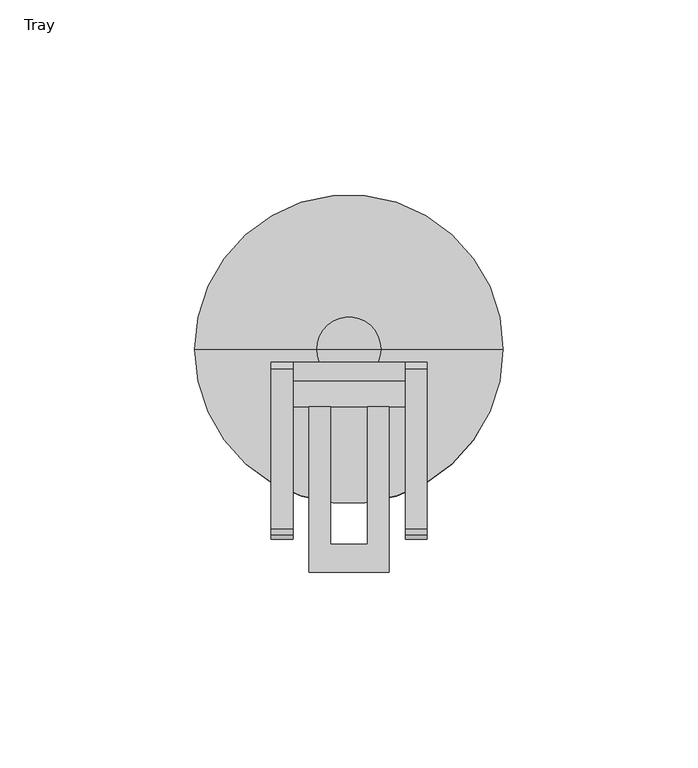
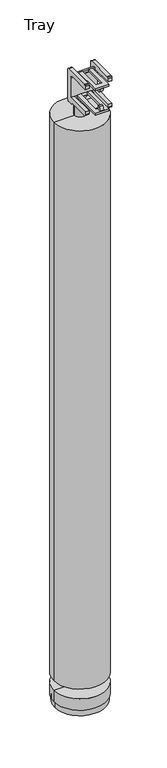
"""IFC4 building model written with IfcOpenShell, lengths in millimetres: furniture geometry, Tray."""

from ifc_helpers import new_model, si_unit, frame, origin, place, context, project, spatial, polyline, circle_curve, outline, extrude, faceted_brep, source, transform, mapped, element, save
from ifc_brep_helpers import plane_surface, cylinder_surface, advanced_brep


def tray_14bad9ef(model_context):
    return source(origin(), model_context, "Body", "SolidModel", [
        faceted_brep([(-14.3281827, -3.327071, 965.0037208), (14.4930005, -3.327071, 965.0037208), (14.4930005, -3.327071, 957.7526426), (-14.3281827, -3.327071, 957.7526426), (-14.3281827, -10.2970762, 965.0037208), (-14.3281827, -10.2970762, 957.7526426), (14.4930005, -10.2970762, 957.7526426), (14.4930005, -10.2970762, 965.0037208), (-14.109705, -10.2970762, 964.6879426), (14.1236919, -10.2970762, 964.6879426), (14.1236919, -10.2970762, 957.991436), (-14.109705, -10.2970762, 957.991436), (-14.109705, -3.5247947, 964.6879426), (14.1236919, -3.5247947, 964.6879426), (14.1236919, -3.5247947, 957.991436), (-14.109705, -3.5247947, 957.991436)], [[[0, 1, 2, 3]], [[4, 5, 6, 7], [8, 9, 10, 11]], [[1, 0, 4, 7]], [[2, 1, 7, 6]], [[3, 2, 6, 5]], [[0, 3, 5, 4]], [[12, 13, 9, 8]], [[14, 15, 11, 10]], [[13, 12, 15, 14]], [[15, 12, 8, 11]], [[13, 14, 10, 9]]]),
        extrude(outline(polyline([(10.2429999, -10.2970762), (10.2429999, -57.2924695), (-10.2429999, -57.2924695), (-10.2429999, -10.2970762), (-4.743, -10.2970762), (-4.743, -50.0172898), (4.743, -50.0172898), (4.743, -10.2970762), (10.2429999, -10.2970762)])), frame((0.0, 0.0, 966.4066012), z_axis=(0.0, 0.0, 1.0), x_axis=(1.0, 0.0, 0.0)), (0.0, 0.0, 1.0), 3.1950368),
        extrude(outline(polyline([(-54.9080039, 975.8565036), (-51.9080053, 975.8565036), (-51.9080053, 969.6065217), (-57.2924695, 969.6065217), (-54.9080039, 975.8565036)])), frame((-2.7499999, 0.0, 0.0), z_axis=(1.0, 0.0, 0.0), x_axis=(0.0, 1.0, 0.0)), (0.0, 0.0, 1.0), 5.4999998),
        extrude(outline(polyline([(-54.9080039, 998.7182864), (-57.2924695, 1004.9682683), (-51.9080053, 1004.9682683), (-51.9080053, 998.7182864), (-54.9080039, 998.7182864)])), frame((-2.7499999, 0.0, 0.0), z_axis=(1.0, 0.0, 0.0), x_axis=(0.0, 1.0, 0.0)), (0.0, 0.0, 1.0), 5.4999998),
        extrude(outline(polyline([(10.2429999, -14.8337831), (10.2429999, -57.2924695), (-10.2429999, -57.2924695), (-10.2429999, -14.8337831), (-4.743, -14.8337831), (-4.743, -50.0172898), (4.743, -50.0172898), (4.743, -14.8337831), (10.2429999, -14.8337831)])), frame((0.0, 0.0, 1004.9628718), z_axis=(0.0, 0.0, 1.0), x_axis=(1.0, 0.0, 0.0)), (0.0, 0.0, 1.0), 3.1950368),
        advanced_brep(
        [(19.9929998, -46.22775, 1012.0570071), (19.9929998, -47.6662523, 1011.6680774), (19.9929998, -48.7162427, 1010.3310951), (19.9929998, -48.584384, 1005.0870111), (19.9929998, -15.2970798, 1005.0870111), (19.9929998, -12.7970689, 1004.4171392), (19.9929998, -10.9669481, 1002.5870183), (19.9929998, -10.2970762, 1000.0870256), (19.9929998, -10.2970762, 969.5869977), (19.9929998, -48.4914096, 969.5869977), (19.9929998, -48.4362011, 965.0037208), (19.9929998, -45.9912819, 962.6170017), (19.9929998, -12.7970831, 962.4766632), (19.9929998, -12.7970871, 959.7370176), (19.9929998, -6.3270696, 959.7370176), (19.9929998, -4.8270703, 960.1389552), (19.9929998, -3.7289996, 961.2369987), (19.9929998, -3.327071, 962.7369798), (19.9929998, -3.327071, 1010.7176752), (19.9929998, -5.0413378, 1012.0570071), (-19.9929998, -46.22775, 1012.0570071), (-19.9929998, -5.0413378, 1012.0570071), (-19.9929998, -3.327071, 1010.7176752), (-19.9929998, -3.327071, 962.7369798), (-19.9929998, -3.7289996, 961.2369987), (-19.9929998, -4.8270703, 960.1389552), (-19.9929998, -6.3270696, 959.7370176), (-19.9929998, -12.7970871, 959.7370176), (-19.9929998, -12.7970831, 962.4766632), (-19.9929998, -45.9912819, 962.6170017), (-19.9929998, -48.4362011, 965.0037208), (-19.9929998, -48.4914096, 969.5869977), (-19.9929998, -10.2970762, 969.5869977), (-19.9929998, -10.2970762, 1000.0870256), (-19.9929998, -10.9669481, 1002.5870183), (-19.9929998, -12.7970689, 1004.4171392), (-19.9929998, -15.2970798, 1005.0870111), (-19.9929998, -48.584384, 1005.0870111), (-19.9929998, -48.7162427, 1010.3310951), (-19.9929998, -47.6662523, 1011.6680774), (14.4930005, -46.22775, 1012.0570071), (14.4930005, -47.6662523, 1011.6680774), (-14.3281827, -47.6662523, 1011.6680774), (-14.3281827, -46.22775, 1012.0570071), (14.4930005, -48.7162427, 1010.3310951), (-14.3281827, -48.7162427, 1010.3310951), (14.4930005, -48.584384, 1005.0870111), (-14.3281827, -48.584384, 1005.0870111), (14.4930005, -15.2970798, 1005.0870111), (-14.3281827, -15.2970798, 1005.0870111), (14.4930005, -14.8337831, 1004.9628718), (-14.3281827, -14.8337831, 1004.9628718), (-14.3281827, -10.2970762, 969.5869977), (-4.743, -10.2970762, 969.5869977), (4.743, -10.2970762, 969.5869977), (14.4930005, -10.2970762, 969.5869977), (14.4930005, -48.4914096, 969.5869977), (-14.3281827, -48.4914096, 969.5869977), (14.4930005, -48.4362011, 965.0037208), (-14.3281827, -48.4362011, 965.0037208), (14.4930005, -45.9912819, 962.6170017), (-14.3281827, -45.9912819, 962.6170017), (14.4930005, -12.7970831, 962.4766632), (-14.3281827, -12.7970831, 962.4766632), (14.4930005, -12.7970871, 959.7370176), (-14.3281827, -12.7970871, 959.7370176), (14.4930005, -6.3270696, 959.7370176), (-14.3281827, -6.3270696, 959.7370176), (14.4930005, -4.8270703, 960.1389552), (-14.3281827, -4.8270703, 960.1389552), (14.4930005, -3.7289996, 961.2369987), (-14.3281827, -3.7289996, 961.2369987), (14.4930005, -3.327071, 962.7369798), (-14.3281827, -3.327071, 962.7369798), (14.4930005, -3.327071, 982.2527944), (-14.4930005, -3.327071, 982.2527944), (-14.4930005, -3.327071, 969.5869977), (-14.3281827, -3.327071, 969.5869977), (-14.3281827, -3.327071, 1010.7176752), (-14.3281827, -3.327071, 993.537062), (14.4930005, -3.327071, 993.537062), (14.4930005, -3.327071, 1010.7176752), (14.4930005, -5.0413378, 1012.0570071), (-14.3281827, -5.0413378, 1012.0570071), (14.4930005, -8.6452748, 969.5869977), (14.4930005, -8.6452748, 982.2527944), (14.4930005, -8.2618777, 993.537062), (14.4930005, -8.2618777, 1001.5860033), (14.4930005, -14.8337831, 1008.1579086), (-14.3281827, -8.6452748, 969.5869977), (-14.3281827, -14.8337831, 1008.1579086), (-14.3281827, -8.2618777, 1001.5860033), (-14.3281827, -8.2618777, 993.537062), (-14.4930005, -8.6452748, 969.5869977), (-14.4930005, -8.6452748, 982.2527944)],
        [
            (0, 1),
            (1, 2),
            (2, 3),
            (3, 4),
            (4, 5),
            (5, 6),
            (6, 7),
            (7, 8),
            (8, 9),
            (9, 10),
            (10, 11, circle_curve(frame((19.9929998, -45.9912819, 965.0626305), z_axis=(1.0, 0.0, 0.0), x_axis=(0.0, 1.0, 0.0)), 2.4456288)),
            (11, 12),
            (12, 13),
            (13, 14),
            (14, 15),
            (15, 16),
            (16, 17),
            (17, 18),
            (18, 19, circle_curve(frame((19.9929998, -5.0413378, 1010.2902605), z_axis=(1.0, 0.0, 0.0), x_axis=(0.0, 1.0, 0.0)), 1.7667467)),
            (19, 0),
            (20, 21),
            (21, 22, circle_curve(frame((-19.9929998, -5.0413378, 1010.2902605), z_axis=(-1.0, 0.0, 0.0), x_axis=(0.0, 1.0, 0.0)), 1.7667467)),
            (22, 23),
            (23, 24),
            (24, 25),
            (25, 26),
            (26, 27),
            (27, 28),
            (28, 29),
            (29, 30, circle_curve(frame((-19.9929998, -45.9912819, 965.0626305), z_axis=(-1.0, 0.0, 0.0), x_axis=(0.0, 1.0, 0.0)), 2.4456288)),
            (30, 31),
            (31, 32),
            (32, 33),
            (33, 34),
            (34, 35),
            (35, 36),
            (36, 37),
            (37, 38),
            (38, 39),
            (39, 20),
            (0, 40),
            (40, 41),
            (41, 1),
            (39, 42),
            (42, 43),
            (43, 20),
            (41, 44),
            (44, 2),
            (38, 45),
            (45, 42),
            (44, 46),
            (46, 3),
            (37, 47),
            (47, 45),
            (46, 48),
            (48, 4),
            (36, 49),
            (49, 47),
            (48, 50),
            (50, 51),
            (51, 49),
            (35, 5),
            (34, 6),
            (33, 7),
            (32, 52),
            (52, 53),
            (53, 54),
            (54, 55),
            (55, 8),
            (55, 56),
            (56, 9),
            (31, 57),
            (57, 52),
            (56, 58),
            (58, 10),
            (30, 59),
            (59, 57),
            (58, 60, circle_curve(frame((14.4930005, -45.9912819, 965.0626305), z_axis=(1.0, 0.0, 0.0), x_axis=(0.0, 1.0, 0.0)), 2.4456288)),
            (60, 11),
            (29, 61),
            (61, 59, circle_curve(frame((-14.3281827, -45.9912819, 965.0626305), z_axis=(-1.0, 0.0, 0.0), x_axis=(0.0, 1.0, 0.0)), 2.4456288)),
            (60, 62),
            (62, 12),
            (28, 63),
            (63, 61),
            (62, 64),
            (64, 13),
            (27, 65),
            (65, 63),
            (64, 66),
            (66, 14),
            (26, 67),
            (67, 65),
            (66, 68),
            (68, 15),
            (25, 69),
            (69, 67),
            (68, 70),
            (70, 16),
            (24, 71),
            (71, 69),
            (70, 72),
            (72, 17),
            (23, 73),
            (73, 71),
            (72, 74),
            (74, 75),
            (75, 76),
            (76, 77),
            (77, 73),
            (22, 78),
            (78, 79),
            (79, 80),
            (80, 81),
            (81, 18),
            (81, 82, circle_curve(frame((14.4930005, -5.0413378, 1010.2902605), z_axis=(1.0, 0.0, 0.0), x_axis=(0.0, 1.0, 0.0)), 1.7667467)),
            (82, 19),
            (21, 83),
            (83, 78, circle_curve(frame((-14.3281827, -5.0413378, 1010.2902605), z_axis=(-1.0, 0.0, 0.0), x_axis=(0.0, 1.0, 0.0)), 1.7667467)),
            (82, 40),
            (43, 83),
            (55, 84),
            (84, 85),
            (85, 74),
            (80, 86),
            (86, 87),
            (87, 88, circle_curve(frame((14.4930005, -14.8337831, 1001.5860033), z_axis=(1.0, 0.0, 0.0), x_axis=(0.0, 1.0, 0.0)), 6.5719053)),
            (88, 50),
            (77, 89),
            (89, 52),
            (90, 91, circle_curve(frame((-14.3281827, -14.8337831, 1001.5860033), z_axis=(-1.0, 0.0, 0.0), x_axis=(0.0, 1.0, 0.0)), 6.5719053)),
            (91, 92),
            (92, 79),
            (51, 90),
            (92, 86),
            (91, 87),
            (90, 88),
            (84, 89),
            (89, 93),
            (93, 94),
            (94, 85),
            (94, 75),
            (93, 76),
        ],
        [
            plane_surface(frame((19.9929998, -47.6662523, 1011.6680774), z_axis=(1.0, 0.0, 0.0), x_axis=(0.0, -0.9653388227637301, -0.26099991813243134))),
            plane_surface(frame((-19.9929998, -47.6662523, 1011.6680774), z_axis=(-1.0, 0.0, 0.0), x_axis=(0.0, 0.9653388227637301, 0.26099991813243134))),
            plane_surface(frame((19.9929998, -46.22775, 1012.0570071), z_axis=(0.0, -0.26099991813243134, 0.9653388227637301), x_axis=(-1.0, 0.0, 0.0))),
            plane_surface(frame((19.9929998, -47.6662523, 1011.6680774), z_axis=(0.0, -0.7864599767075834, 0.6176412429858514), x_axis=(-1.0, 0.0, 0.0))),
            plane_surface(frame((19.9929998, -48.7162427, 1010.3310951), z_axis=(0.0, -0.9996840324547556, -0.025136333364260674), x_axis=(-1.0, 0.0, 0.0))),
            plane_surface(frame((19.9929998, -48.584384, 1005.0870111), z_axis=(0.0, 0.0, -1.0), x_axis=(-1.0, 0.0, 0.0))),
            plane_surface(frame((19.9929998, -15.2970798, 1005.0870111), z_axis=(0.0, -0.25881760153126504, -0.9659262130916644), x_axis=(-1.0, 0.0, 0.0))),
            plane_surface(frame((19.9929998, -12.7970689, 1004.4171392), z_axis=(0.0, -0.7071067811865476, -0.7071067811865476), x_axis=(-1.0, 0.0, 0.0))),
            plane_surface(frame((19.9929998, -10.9669481, 1002.5870183), z_axis=(0.0, -0.9659257428846033, -0.2588193563720212), x_axis=(-1.0, 0.0, 0.0))),
            plane_surface(frame((19.9929998, -10.2970762, 1000.0870256), z_axis=(0.0, -1.0, 0.0), x_axis=(-1.0, 0.0, 0.0))),
            plane_surface(frame((19.9929998, -10.2970762, 969.5869977), z_axis=(0.0, 0.0, 1.0), x_axis=(-1.0, 0.0, 0.0))),
            plane_surface(frame((19.9929998, -48.4914096, 969.5869977), z_axis=(0.0, -0.9999274593895427, -0.012044748182275664), x_axis=(-1.0, 0.0, 0.0))),
            cylinder_surface(frame((-19.9929998, -45.9912819, 965.0626305), z_axis=(1.0, 0.0, 0.0), x_axis=(0.0, 1.0, 0.0)), 2.4456288),
            plane_surface(frame((19.9929998, -45.9912819, 962.6170017), z_axis=(0.0, -0.004227764339078173, -0.9999910629644113), x_axis=(-1.0, 0.0, 0.0))),
            plane_surface(frame((19.9929998, -12.7970831, 962.4766632), z_axis=(0.0, -0.9999999999989181, 1.4710555129879356e-06), x_axis=(-1.0, 0.0, 0.0))),
            plane_surface(frame((19.9929998, -12.7970871, 959.7370176), z_axis=(0.0, 0.0, -1.0), x_axis=(-1.0, 0.0, 0.0))),
            plane_surface(frame((19.9929998, -6.3270696, 959.7370176), z_axis=(0.0, 0.2588275036262296, -0.965923559794777), x_axis=(-1.0, 0.0, 0.0))),
            plane_surface(frame((19.9929998, -4.8270703, 960.1389552), z_axis=(0.0, 0.7070980067524738, -0.7071155555117413), x_axis=(-1.0, 0.0, 0.0))),
            plane_surface(frame((19.9929998, -3.7289996, 961.2369987), z_axis=(0.0, 0.9659242384808149, -0.25882497081088984), x_axis=(-1.0, 0.0, 0.0))),
            plane_surface(frame((19.9929998, -3.327071, 962.7369798), z_axis=(0.0, 1.0, 0.0), x_axis=(-1.0, 0.0, 0.0))),
            cylinder_surface(frame((-19.9929998, -5.0413378, 1010.2902605), z_axis=(1.0, 0.0, 0.0), x_axis=(0.0, 1.0, 0.0)), 1.7667467),
            plane_surface(frame((19.9929998, -5.0413378, 1012.0570071), z_axis=(0.0, 0.0, 1.0), x_axis=(-1.0, 0.0, 0.0))),
            plane_surface(frame((14.4930005, -20.9588426, 1012.0570071), z_axis=(-1.0, 0.0, 0.0), x_axis=(0.0, -1.0, 0.0))),
            plane_surface(frame((-14.3281827, -20.9588426, 1012.0570071), z_axis=(1.0, 0.0, 0.0), x_axis=(0.0, 1.0, 0.0))),
            plane_surface(frame((14.4930005, -8.2618777, 993.537062), z_axis=(0.0, 0.0, 1.0), x_axis=(-1.0, 0.0, 0.0))),
            plane_surface(frame((14.4930005, -8.2618777, 1001.5860033), z_axis=(0.0, 1.0, 0.0), x_axis=(-1.0, 0.0, 0.0))),
            cylinder_surface(frame((-14.3281827, -14.8337831, 1001.5860033), z_axis=(-1.0, 0.0, 0.0), x_axis=(0.0, 1.0, 0.0)), 6.5719053),
            plane_surface(frame((14.4930005, -14.8337831, 1018.8156768), z_axis=(0.0, -1.0, 0.0), x_axis=(0.0, 0.0, -1.0))),
            plane_surface(frame((-14.4930005, -8.6452748, 982.2527944), z_axis=(0.0, 1.0, 0.0), x_axis=(-1.0, 0.0, 0.0))),
            plane_surface(frame((14.4930005, -8.6452748, 982.2527944), z_axis=(0.0, 0.0, -1.0), x_axis=(0.0, 1.0, 0.0))),
            plane_surface(frame((-14.4930005, -8.6452748, 982.2527944), z_axis=(1.0, 0.0, 0.0), x_axis=(0.0, 1.0, 0.0))),
            plane_surface(frame((-14.4930005, -8.6452748, 969.5869977), z_axis=(0.0, 0.0, 1.0), x_axis=(0.0, 1.0, 0.0))),
            plane_surface(frame((14.4930005, -304.00625, 969.5869977), z_axis=(0.0, 0.0, -1.0), x_axis=(0.0, 1.0, 0.0))),
        ],
        [
            (0, [[1, 2, 3, 4, 5, 6, 7, 8, 9, 10, 11, 12, 13, 14, 15, 16, 17, 18, 19, 20]]),
            (1, [[21, 22, 23, 24, 25, 26, 27, 28, 29, 30, 31, 32, 33, 34, 35, 36, 37, 38, 39, 40]]),
            (2, [[-1, 41, 42, 43]]),
            (2, [[-40, 44, 45, 46]]),
            (3, [[-2, -43, 47, 48]]),
            (3, [[-39, 49, 50, -44]]),
            (4, [[-3, -48, 51, 52]]),
            (4, [[-38, 53, 54, -49]]),
            (5, [[-4, -52, 55, 56]]),
            (5, [[-37, 57, 58, -53]]),
            (6, [[-5, -56, 59, 60, 61, -57, -36, 62]]),
            (7, [[-6, -62, -35, 63]]),
            (8, [[-7, -63, -34, 64]]),
            (9, [[-8, -64, -33, 65, 66, 67, 68, 69]]),
            (10, [[-9, -69, 70, 71]]),
            (10, [[-32, 72, 73, -65]]),
            (11, [[-10, -71, 74, 75]]),
            (11, [[-31, 76, 77, -72]]),
            (12, [[-11, -75, 78, 79]]),
            (12, [[-30, 80, 81, -76]]),
            (13, [[-12, -79, 82, 83]]),
            (13, [[-29, 84, 85, -80]]),
            (14, [[-13, -83, 86, 87]]),
            (14, [[-28, 88, 89, -84]]),
            (15, [[-14, -87, 90, 91]]),
            (15, [[-27, 92, 93, -88]]),
            (16, [[-15, -91, 94, 95]]),
            (16, [[-26, 96, 97, -92]]),
            (17, [[-16, -95, 98, 99]]),
            (17, [[-25, 100, 101, -96]]),
            (18, [[-17, -99, 102, 103]]),
            (18, [[-24, 104, 105, -100]]),
            (19, [[-18, -103, 106, 107, 108, 109, 110, -104, -23, 111, 112, 113, 114, 115]]),
            (20, [[-19, -115, 116, 117]]),
            (20, [[-22, 118, 119, -111]]),
            (21, [[-20, -117, 120, -41]]),
            (21, [[-21, -46, 121, -118]]),
            (22, [[-74, -70, 122, 123, 124, -106, -102, -98, -94, -90, -86, -82, -78]]),
            (22, [[125, 126, 127, 128, -59, -55, -51, -47, -42, -120, -116, -114]]),
            (23, [[-77, -81, -85, -89, -93, -97, -101, -105, -110, 129, 130, -73]]),
            (23, [[131, 132, 133, -112, -119, -121, -45, -50, -54, -58, -61, 134]]),
            (24, [[-125, -113, -133, 135]]),
            (25, [[-126, -135, -132, 136]]),
            (26, [[-127, -136, -131, 137]]),
            (27, [[-128, -137, -134, -60]]),
            (28, [[-123, 138, 139, 140, 141]]),
            (29, [[-141, 142, -107, -124]]),
            (30, [[-140, 143, -108, -142]]),
            (31, [[-143, -139, -129, -109]]),
            (32, [[-122, -68, -67, -66, -130, -138]]),
        ],
    ),
        advanced_brep(
        [(-39.5897173, 0.0, 43.4122144), (39.5897173, 0.0, 43.4122144), (8.206167, 0.0, 43.4122144), (-8.206167, 0.0, 43.4122144), (-39.5897173, 0.0, 930.3529561), (39.5897173, 0.0, 930.3529561), (-8.206167, 0.0, 930.3529561), (8.206167, 0.0, 930.3529561), (-8.206167, 0.0, 965.0037208), (8.206167, 0.0, 965.0037208), (0.0, 0.0, 965.0037208), (-37.9571248, 0.0, 0.0), (37.9571248, 0.0, 0.0), (0.0, 0.0, 0.0), (-37.9571248, 0.0, 9.8842134), (37.9571248, 0.0, 9.8842134), (-39.4811233, 0.0, 9.8842134), (39.4811233, 0.0, 9.8842134), (-39.4811233, 0.0, 27.6642135), (39.4811233, 0.0, 27.6642135), (-8.206167, 0.0, 27.6642135), (8.206167, 0.0, 27.6642135)],
        [
            (0, 1, circle_curve(frame((0.0, 0.0, 43.4122144), z_axis=(0.0, 0.0, -1.0), x_axis=(1.0, 0.0, 0.0)), 39.5897173)),
            (1, 2),
            (2, 3, circle_curve(frame((0.0, 0.0, 43.4122144), z_axis=(0.0, 0.0, 1.0), x_axis=(1.0, 0.0, 0.0)), 8.206167)),
            (3, 0),
            (1, 0, circle_curve(frame((0.0, 0.0, 43.4122144), z_axis=(0.0, 0.0, -1.0), x_axis=(1.0, 0.0, 0.0)), 39.5897173)),
            (3, 2, circle_curve(frame((0.0, 0.0, 43.4122144), z_axis=(0.0, 0.0, 1.0), x_axis=(1.0, 0.0, 0.0)), 8.206167)),
            (4, 5, circle_curve(frame((0.0, 0.0, 930.3529561), z_axis=(0.0, 0.0, -1.0), x_axis=(1.0, 0.0, 0.0)), 39.5897173)),
            (5, 1),
            (0, 4),
            (5, 4, circle_curve(frame((0.0, 0.0, 930.3529561), z_axis=(0.0, 0.0, -1.0), x_axis=(1.0, 0.0, 0.0)), 39.5897173)),
            (6, 7, circle_curve(frame((0.0, 0.0, 930.3529561), z_axis=(0.0, 0.0, -1.0), x_axis=(1.0, 0.0, 0.0)), 8.206167)),
            (7, 5),
            (4, 6),
            (7, 6, circle_curve(frame((0.0, 0.0, 930.3529561), z_axis=(0.0, 0.0, -1.0), x_axis=(1.0, 0.0, 0.0)), 8.206167)),
            (8, 9, circle_curve(frame((0.0, 0.0, 965.0037208), z_axis=(0.0, 0.0, -1.0), x_axis=(1.0, 0.0, 0.0)), 8.206167)),
            (9, 7),
            (6, 8),
            (9, 8, circle_curve(frame((0.0, 0.0, 965.0037208), z_axis=(0.0, 0.0, -1.0), x_axis=(1.0, 0.0, 0.0)), 8.206167)),
            (10, 9),
            (8, 10),
            (11, 12, circle_curve(frame((0.0, 0.0, 0.0), z_axis=(0.0, 0.0, -1.0), x_axis=(1.0, 0.0, 0.0)), 37.9571248)),
            (12, 13),
            (13, 11),
            (12, 11, circle_curve(frame((0.0, 0.0, 0.0), z_axis=(0.0, 0.0, -1.0), x_axis=(1.0, 0.0, 0.0)), 37.9571248)),
            (14, 15, circle_curve(frame((0.0, 0.0, 9.8842134), z_axis=(0.0, 0.0, -1.0), x_axis=(1.0, 0.0, 0.0)), 37.9571248)),
            (15, 12),
            (11, 14),
            (15, 14, circle_curve(frame((0.0, 0.0, 9.8842134), z_axis=(0.0, 0.0, -1.0), x_axis=(1.0, 0.0, 0.0)), 37.9571248)),
            (16, 17, circle_curve(frame((0.0, 0.0, 9.8842134), z_axis=(0.0, 0.0, -1.0), x_axis=(1.0, 0.0, 0.0)), 39.4811233)),
            (17, 15),
            (14, 16),
            (17, 16, circle_curve(frame((0.0, 0.0, 9.8842134), z_axis=(0.0, 0.0, -1.0), x_axis=(1.0, 0.0, 0.0)), 39.4811233)),
            (18, 19, circle_curve(frame((0.0, 0.0, 27.6642135), z_axis=(0.0, 0.0, -1.0), x_axis=(1.0, 0.0, 0.0)), 39.4811233)),
            (19, 17),
            (16, 18),
            (19, 18, circle_curve(frame((0.0, 0.0, 27.6642135), z_axis=(0.0, 0.0, -1.0), x_axis=(1.0, 0.0, 0.0)), 39.4811233)),
            (20, 21, circle_curve(frame((0.0, 0.0, 27.6642135), z_axis=(0.0, 0.0, -1.0), x_axis=(1.0, 0.0, 0.0)), 8.206167)),
            (21, 19),
            (18, 20),
            (21, 20, circle_curve(frame((0.0, 0.0, 27.6642135), z_axis=(0.0, 0.0, -1.0), x_axis=(1.0, 0.0, 0.0)), 8.206167)),
            (2, 21),
            (20, 3),
        ],
        [
            plane_surface(frame((0.0, 0.0, 43.4122144), z_axis=(0.0, 0.0, -1.0), x_axis=(1.0, 0.0, 0.0))),
            cylinder_surface(frame((0.0, 0.0, 1090.2257208), z_axis=(0.0, 0.0, 1.0), x_axis=(1.0, 0.0, 0.0)), 39.5897173),
            plane_surface(frame((0.0, 0.0, 930.3529561), z_axis=(0.0, 0.0, 1.0), x_axis=(1.0, 0.0, 0.0))),
            cylinder_surface(frame((0.0, 0.0, 1090.2257208), z_axis=(0.0, 0.0, 1.0), x_axis=(1.0, 0.0, 0.0)), 8.206167),
            plane_surface(frame((0.0, 0.0, 965.0037208), z_axis=(0.0, 0.0, 1.0), x_axis=(1.0, 0.0, 0.0))),
            plane_surface(frame((0.0, 0.0, 0.0), z_axis=(0.0, 0.0, -1.0), x_axis=(1.0, 0.0, 0.0))),
            cylinder_surface(frame((0.0, 0.0, 1090.2257208), z_axis=(0.0, 0.0, 1.0), x_axis=(1.0, 0.0, 0.0)), 37.9571248),
            plane_surface(frame((0.0, 0.0, 9.8842134), z_axis=(0.0, 0.0, -1.0), x_axis=(1.0, 0.0, 0.0))),
            cylinder_surface(frame((0.0, 0.0, 1090.2257208), z_axis=(0.0, 0.0, 1.0), x_axis=(1.0, 0.0, 0.0)), 39.4811233),
            plane_surface(frame((0.0, 0.0, 27.6642135), z_axis=(0.0, 0.0, 1.0), x_axis=(1.0, 0.0, 0.0))),
        ],
        [
            (0, [[1, 2, 3, 4]]),
            (0, [[5, -4, 6, -2]]),
            (1, [[7, 8, -1, 9]]),
            (1, [[10, -9, -5, -8]]),
            (2, [[11, 12, -7, 13]]),
            (2, [[14, -13, -10, -12]]),
            (3, [[15, 16, -11, 17]]),
            (3, [[18, -17, -14, -16]]),
            (4, [[19, -15, 20]]),
            (4, [[-20, -18, -19]]),
            (5, [[21, 22, 23]]),
            (5, [[24, -23, -22]]),
            (6, [[25, 26, -21, 27]]),
            (6, [[28, -27, -24, -26]]),
            (7, [[29, 30, -25, 31]]),
            (7, [[32, -31, -28, -30]]),
            (8, [[33, 34, -29, 35]]),
            (8, [[36, -35, -32, -34]]),
            (9, [[37, 38, -33, 39]]),
            (9, [[40, -39, -36, -38]]),
            (3, [[-3, 41, -37, 42]]),
            (3, [[-6, -42, -40, -41]]),
        ],
    ),
    ])


if __name__ == "__main__":
    model = new_model("IFC4")
    model_context = context("Model", 3, world=origin())
    ifc_project = project(units=[si_unit("LENGTHUNIT", "METRE", prefix="MILLI")], contexts=[model_context])
    site = spatial("IfcSite", under=ifc_project)
    building = spatial("IfcBuilding", under=site)
    placement = place(None, origin())
    tray_shape = tray_14bad9ef(model_context)
    element("IfcFurniture", 1, ObjectType="Tray", at=placement, inside=building, context=model_context, shape_type="MappedRepresentation", body=[
        mapped(tray_shape, transform((0.0, 0.0, 0.0), x_axis=(1.0, 0.0, 0.0), y_axis=(0.0, 1.0, 0.0), z_axis=(0.0, 0.0, 1.0))),
    ])
    save(model, "model.ifc")
